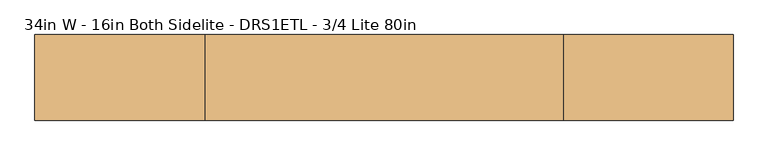
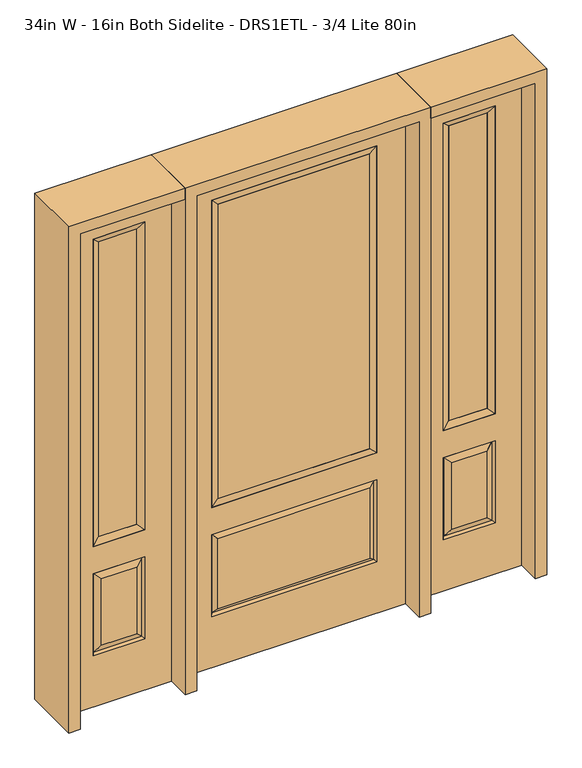
"""IFC4 building model written with IfcOpenShell, lengths in millimetres: door geometry, 34in W - 16in Both Sidelite - DRS1ETL - 3/4 Lite 80in."""

from ifc_helpers import new_model, si_unit, frame, origin, place, context, project, spatial, polyline, outline, extrude, faceted_brep, source, transform, mapped, element, save


def door_34in_w_16in_both_sidelite_drs1etl_3_4_lite_80in_fadc2941(model_context):
    return source(origin(), model_context, "Body", "SolidModel", [
        faceted_brep([(476.25, -22.225, 0.0), (882.65, -22.225, 0.0), (882.65, -22.225, 2032.0), (476.25, -22.225, 2032.0), (779.78, -22.225, 1919.224), (779.78, -22.225, 657.098), (579.12, -22.225, 657.098), (579.12, -22.225, 1919.224), (779.78, -22.225, 209.55), (579.12, -22.225, 209.55), (579.12, -22.225, 546.1), (779.78, -22.225, 546.1), (610.8351001, -22.225, 241.2651001), (748.0648999, -22.225, 241.2651001), (748.0648999, -22.225, 514.3848999), (610.8351001, -22.225, 514.3848999), (476.25, 22.225, 0.0), (476.25, 22.225, 2032.0), (882.65, 22.225, 2032.0), (882.65, 22.225, 0.0), (779.78, 22.225, 1919.224), (579.12, 22.225, 1919.224), (579.12, 22.225, 657.098), (779.78, 22.225, 657.098), (579.12, 22.225, 209.55), (779.78, 22.225, 209.55), (779.78, 22.225, 546.1), (579.12, 22.225, 546.1), (748.0648999, 22.225, 241.2651001), (610.8351001, 22.225, 241.2651001), (610.8351001, 22.225, 514.3848999), (748.0648999, 22.225, 514.3848999), (772.6711499, 12.7912373, 216.6588501), (586.2288501, 12.7912373, 216.6588501), (586.2288501, 12.7912373, 538.9911499), (772.6711499, 12.7912373, 538.9911499), (586.2288501, -12.7912373, 216.6588501), (772.6711499, -12.7912373, 216.6588501), (586.2288501, -12.7912373, 538.9911499), (772.6711499, -12.7912373, 538.9911499)], [[[0, 1, 2, 3], [4, 5, 6, 7], [8, 9, 10, 11]], [[12, 13, 14, 15]], [[16, 17, 18, 19], [20, 21, 22, 23], [24, 25, 26, 27]], [[28, 29, 30, 31]], [[1, 0, 16, 19]], [[2, 1, 19, 18]], [[3, 2, 18, 17]], [[0, 3, 17, 16]], [[5, 4, 20, 23]], [[6, 5, 23, 22]], [[7, 6, 22, 21]], [[4, 7, 21, 20]], [[32, 33, 29, 28]], [[33, 32, 25, 24]], [[29, 33, 34, 30]], [[33, 24, 27, 34]], [[30, 34, 35, 31]], [[34, 27, 26, 35]], [[32, 28, 31, 35]], [[25, 32, 35, 26]], [[12, 36, 37, 13]], [[37, 36, 9, 8]], [[36, 12, 15, 38]], [[9, 36, 38, 10]], [[38, 15, 14, 39]], [[10, 38, 39, 11]], [[13, 37, 39, 14]], [[37, 8, 11, 39]]]),
        faceted_brep([(579.12, 22.225, 1919.224), (579.12, -22.225, 1919.224), (779.78, -22.225, 1919.224), (779.78, 22.225, 1919.224), (604.52, 12.7, 1893.824), (754.38, 12.7, 1893.824), (604.52, -12.7, 1893.824), (754.38, -12.7, 1893.824), (779.78, -22.225, 657.098), (779.78, 22.225, 657.098), (754.38, 12.7, 682.498), (754.38, -12.7, 682.498), (579.12, -22.225, 657.098), (579.12, 22.225, 657.098), (604.52, 12.7, 682.498), (604.52, -12.7, 682.498)], [[[0, 1, 2, 3]], [[4, 0, 3, 5]], [[6, 4, 5, 7]], [[1, 6, 7, 2]], [[3, 2, 8, 9]], [[5, 3, 9, 10]], [[7, 5, 10, 11]], [[2, 7, 11, 8]], [[9, 8, 12, 13]], [[10, 9, 13, 14]], [[11, 10, 14, 15]], [[8, 11, 15, 12]], [[13, 12, 1, 0]], [[14, 13, 0, 4]], [[15, 14, 4, 6]], [[12, 15, 6, 1]]]),
        extrude(outline(polyline([(754.38, -12.7), (604.52, -12.7), (604.52, 12.7), (754.38, 12.7), (754.38, -12.7)])), frame((0.0, 0.0, 682.498), z_axis=(0.0, 0.0, 1.0), x_axis=(1.0, 0.0, 0.0)), (0.0, 0.0, 1.0), 1211.326),
        faceted_brep([(-882.65, -22.225, 0.0), (-476.25, -22.225, 0.0), (-476.25, -22.225, 2032.0), (-882.65, -22.225, 2032.0), (-579.12, -22.225, 1919.224), (-579.12, -22.225, 657.098), (-779.78, -22.225, 657.098), (-779.78, -22.225, 1919.224), (-579.12, -22.225, 209.55), (-779.78, -22.225, 209.55), (-779.78, -22.225, 546.1), (-579.12, -22.225, 546.1), (-748.0648999, -22.225, 241.2651001), (-610.8351001, -22.225, 241.2651001), (-610.8351001, -22.225, 514.3848999), (-748.0648999, -22.225, 514.3848999), (-882.65, 22.225, 0.0), (-882.65, 22.225, 2032.0), (-476.25, 22.225, 2032.0), (-476.25, 22.225, 0.0), (-579.12, 22.225, 1919.224), (-779.78, 22.225, 1919.224), (-779.78, 22.225, 657.098), (-579.12, 22.225, 657.098), (-779.78, 22.225, 209.55), (-579.12, 22.225, 209.55), (-579.12, 22.225, 546.1), (-779.78, 22.225, 546.1), (-610.8351001, 22.225, 241.2651001), (-748.0648999, 22.225, 241.2651001), (-748.0648999, 22.225, 514.3848999), (-610.8351001, 22.225, 514.3848999), (-586.2288501, 12.7912373, 216.6588501), (-772.6711499, 12.7912373, 216.6588501), (-772.6711499, 12.7912373, 538.9911499), (-586.2288501, 12.7912373, 538.9911499), (-772.6711499, -12.7912373, 216.6588501), (-586.2288501, -12.7912373, 216.6588501), (-772.6711499, -12.7912373, 538.9911499), (-586.2288501, -12.7912373, 538.9911499)], [[[0, 1, 2, 3], [4, 5, 6, 7], [8, 9, 10, 11]], [[12, 13, 14, 15]], [[16, 17, 18, 19], [20, 21, 22, 23], [24, 25, 26, 27]], [[28, 29, 30, 31]], [[1, 0, 16, 19]], [[2, 1, 19, 18]], [[3, 2, 18, 17]], [[0, 3, 17, 16]], [[5, 4, 20, 23]], [[6, 5, 23, 22]], [[7, 6, 22, 21]], [[4, 7, 21, 20]], [[32, 33, 29, 28]], [[33, 32, 25, 24]], [[29, 33, 34, 30]], [[33, 24, 27, 34]], [[30, 34, 35, 31]], [[34, 27, 26, 35]], [[32, 28, 31, 35]], [[25, 32, 35, 26]], [[12, 36, 37, 13]], [[37, 36, 9, 8]], [[36, 12, 15, 38]], [[9, 36, 38, 10]], [[38, 15, 14, 39]], [[10, 38, 39, 11]], [[13, 37, 39, 14]], [[37, 8, 11, 39]]]),
        faceted_brep([(-779.78, 22.225, 1919.224), (-779.78, -22.225, 1919.224), (-579.12, -22.225, 1919.224), (-579.12, 22.225, 1919.224), (-754.38, 12.7, 1893.824), (-604.52, 12.7, 1893.824), (-754.38, -12.7, 1893.824), (-604.52, -12.7, 1893.824), (-579.12, -22.225, 657.098), (-579.12, 22.225, 657.098), (-604.52, 12.7, 682.498), (-604.52, -12.7, 682.498), (-779.78, -22.225, 657.098), (-779.78, 22.225, 657.098), (-754.38, 12.7, 682.498), (-754.38, -12.7, 682.498)], [[[0, 1, 2, 3]], [[4, 0, 3, 5]], [[6, 4, 5, 7]], [[1, 6, 7, 2]], [[3, 2, 8, 9]], [[5, 3, 9, 10]], [[7, 5, 10, 11]], [[2, 7, 11, 8]], [[9, 8, 12, 13]], [[10, 9, 13, 14]], [[11, 10, 14, 15]], [[8, 11, 15, 12]], [[13, 12, 1, 0]], [[14, 13, 0, 4]], [[15, 14, 4, 6]], [[12, 15, 6, 1]]]),
        extrude(outline(polyline([(-604.52, -12.7), (-754.38, -12.7), (-754.38, 12.7), (-604.52, 12.7), (-604.52, -12.7)])), frame((0.0, 0.0, 682.498), z_axis=(0.0, 0.0, 1.0), x_axis=(1.0, 0.0, 0.0)), (0.0, 0.0, 1.0), 1211.326),
        faceted_brep([(-313.5661499, -12.7912373, 216.6588501), (313.5661499, -12.7912373, 216.6588501), (296.06875, -22.225, 234.15625), (-296.06875, -22.225, 234.15625), (-320.675, -22.225, 209.55), (320.675, -22.225, 209.55), (-313.5661499, -12.7912373, 538.9911499), (-320.675, -22.225, 546.1), (296.06875, -22.225, 521.49375), (-296.06875, -22.225, 521.49375), (431.8, -22.225, 2032.0), (-431.8, -22.225, 2032.0), (-431.8, -22.225, 0.0), (431.8, -22.225, 0.0), (320.675, -22.225, 546.1), (320.675, -22.225, 1917.7), (320.675, -22.225, 657.098), (-320.675, -22.225, 657.098), (-320.675, -22.225, 1917.7), (313.5661499, -12.7912373, 538.9911499), (-431.8, 22.225, 2032.0), (-431.8, 22.225, 0.0), (431.8, 22.225, 0.0), (431.8, 22.225, 2032.0), (320.675, 22.225, 1917.7), (320.675, 22.225, 657.098), (-320.675, 22.225, 657.098), (-320.675, 22.225, 1917.7), (-320.675, 22.225, 209.55), (320.675, 22.225, 209.55), (320.675, 22.225, 546.1), (-320.675, 22.225, 546.1), (296.06875, 22.225, 234.15625), (-296.06875, 22.225, 234.15625), (-296.06875, 22.225, 521.49375), (296.06875, 22.225, 521.49375), (-313.5661499, 12.7912373, 216.6588501), (313.5661499, 12.7912373, 216.6588501), (313.5661499, 12.7912373, 538.9911499), (-313.5661499, 12.7912373, 538.9911499)], [[[0, 1, 2, 3]], [[1, 0, 4, 5]], [[4, 0, 6, 7]], [[3, 2, 8, 9]], [[10, 11, 12, 13], [5, 4, 7, 14], [15, 16, 17, 18]], [[1, 5, 14, 19]], [[2, 1, 19, 8]], [[0, 3, 9, 6]], [[7, 6, 19, 14]], [[6, 9, 8, 19]], [[12, 11, 20, 21]], [[13, 12, 21, 22]], [[10, 13, 22, 23]], [[16, 15, 24, 25]], [[17, 16, 25, 26]], [[18, 17, 26, 27]], [[23, 22, 21, 20], [28, 29, 30, 31], [24, 27, 26, 25]], [[32, 33, 34, 35]], [[28, 36, 37, 29]], [[29, 37, 38, 30]], [[39, 31, 30, 38]], [[36, 28, 31, 39]], [[37, 36, 33, 32]], [[33, 36, 39, 34]], [[34, 39, 38, 35]], [[37, 32, 35, 38]], [[11, 10, 23, 20]], [[15, 18, 27, 24]]]),
        faceted_brep([(-320.675, -22.225, 1917.7), (-320.675, 22.225, 1917.7), (-320.675, 22.225, 657.098), (-320.675, -22.225, 657.098), (320.675, 22.225, 657.098), (320.675, -22.225, 657.098), (-295.275, 5.08, 682.498), (295.275, 5.08, 682.498), (320.675, 22.225, 1917.7), (320.675, -22.225, 1917.7), (-295.275, -20.32, 682.498), (295.275, -20.32, 682.498), (-295.275, -20.32, 1892.3), (295.275, -20.32, 1892.3), (-295.275, 5.08, 1892.3), (295.275, 5.08, 1892.3)], [[[0, 1, 2, 3]], [[3, 2, 4, 5]], [[2, 6, 7, 4]], [[5, 4, 8, 9]], [[10, 3, 5, 11]], [[12, 0, 3, 10]], [[11, 5, 9, 13]], [[6, 10, 11, 7]], [[14, 12, 10, 6]], [[7, 11, 13, 15]], [[1, 14, 6, 2]], [[4, 7, 15, 8]], [[9, 8, 1, 0]], [[13, 9, 0, 12]], [[15, 13, 12, 14]], [[8, 15, 14, 1]]]),
        extrude(outline(polyline([(295.275, -20.32), (-295.275, -20.32), (-295.275, 5.08), (295.275, 5.08), (295.275, -20.32)])), frame((0.0, 0.0, 682.498), z_axis=(0.0, 0.0, 1.0), x_axis=(1.0, 0.0, 0.0)), (0.0, 0.0, 1.0), 1209.802),
        extrude(outline(polyline([(2032.0, -476.25), (2076.45, -476.25), (2076.45, -927.1), (0.0, -927.1), (0.0, -882.65), (2032.0, -882.65), (2032.0, -476.25)])), frame((0.0, -114.3, 0.0), z_axis=(0.0, 1.0, 0.0), x_axis=(0.0, 0.0, 1.0)), (0.0, 0.0, 1.0), 228.6),
        extrude(outline(polyline([(2076.45, -476.25), (0.0, -476.25), (0.0, -431.8), (2032.0, -431.8), (2032.0, 431.8), (0.0, 431.8), (0.0, 476.25), (2076.45, 476.25), (2076.45, -476.25)])), frame((0.0, -114.3, 0.0), z_axis=(0.0, 1.0, 0.0), x_axis=(0.0, 0.0, 1.0)), (0.0, 0.0, 1.0), 228.6),
        extrude(outline(polyline([(0.0, 882.65), (0.0, 927.1), (2076.45, 927.1), (2076.45, 476.25), (2032.0, 476.25), (2032.0, 882.65), (0.0, 882.65)])), frame((0.0, -114.3, 0.0), z_axis=(0.0, 1.0, 0.0), x_axis=(0.0, 0.0, 1.0)), (0.0, 0.0, 1.0), 228.6),
    ])


if __name__ == "__main__":
    model = new_model("IFC4")
    model_context = context("Model", 3, world=origin())
    ifc_project = project(units=[si_unit("LENGTHUNIT", "METRE", prefix="MILLI")], contexts=[model_context])
    site = spatial("IfcSite", under=ifc_project)
    building = spatial("IfcBuilding", under=site)
    placement = place(None, origin())
    door_34in_w_16in_both_sidelite_drs1etl_3_4_lite_80in_shape = door_34in_w_16in_both_sidelite_drs1etl_3_4_lite_80in_fadc2941(model_context)
    element("IfcDoor", 1, ObjectType="34in W - 16in Both Sidelite - DRS1ETL - 3/4 Lite 80in", at=placement, inside=building, context=model_context, shape_type="MappedRepresentation", body=[
        mapped(door_34in_w_16in_both_sidelite_drs1etl_3_4_lite_80in_shape, transform((0.0, 0.0, 0.0), x_axis=(1.0, 0.0, 0.0), y_axis=(0.0, 1.0, 0.0), z_axis=(0.0, 0.0, 1.0))),
    ])
    save(model, "model.ifc")
